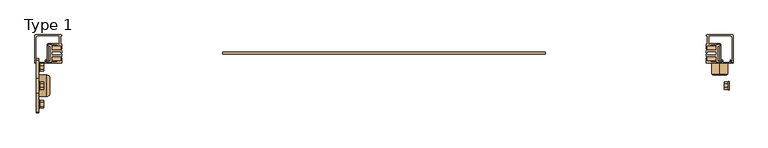
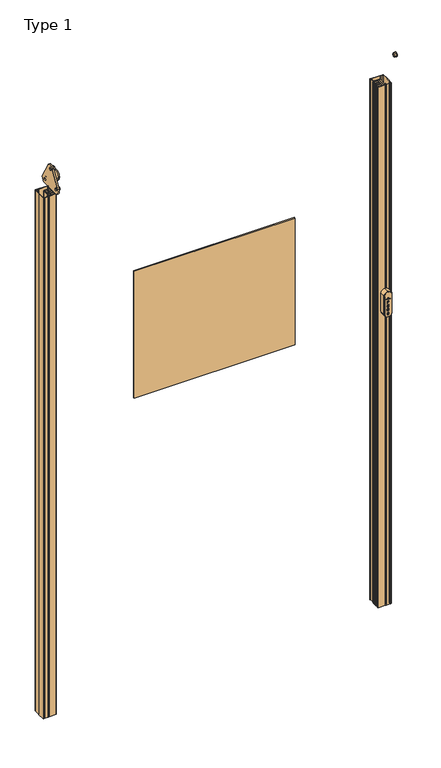
"""IFC4 building model written with IfcOpenShell, lengths in millimetres: door geometry, Type 1."""

from ifc_helpers import new_model, si_unit, point, frame, frame_2d, origin, origin_with_axes, place, context, project, spatial, polyline, circle_curve, ellipse_curve, trimmed, segment, composite_curve, outline, extrude, faceted_brep, source, transform, mapped, element, save
from ifc_brep_helpers import plane_surface, cylinder_surface, revolved_surface, advanced_brep


def type_1_4c6b9645(model_context):
    return source(origin(), model_context, "Body", "SolidModel", [
        extrude(outline(polyline([(-3.3878974, 0.0), (0.0, 0.0), (0.0, 3.3538824), (1.8674254, 3.3538824), (1.8674254, -5.6464956), (0.0, -5.6464956), (0.0, -1.6565321), (-3.3878974, -1.6565321), (-3.3878974, -5.6464956), (-5.2519213, -5.6464956), (-5.2519213, 3.3538824), (-3.3878974, 3.3538824), (-3.3878974, 0.0)])), frame((622.4844847, -112.5, 1165.1344009), z_axis=(4.659192504219422e-12, 1.0, 0.0), x_axis=(-1.0, 4.659192504219422e-12, 0.0)), (0.0, 0.0, 1.0), 2.0),
        extrude(outline(composite_curve([segment(polyline([(1.8674254, 33.5542324), (1.8674254, 27.7877778)]), True, "CONTINUOUS"), segment(trimmed(circle_curve(frame_2d((-1.6563342, 27.7877778)), 3.5237596), [point((1.8674254, 27.7877778))], [point((-5.1800938, 27.7877778))], False, "CARTESIAN"), True, "CONTINUOUS"), segment(polyline([(-5.1800938, 27.7877778), (-5.1800938, 33.5542324), (-3.3699661, 33.5542324), (-3.3699661, 27.751176)]), True, "CONTINUOUS"), segment(trimmed(circle_curve(frame_2d((-1.6663165, 27.751176)), 1.7036496), [point((-3.3699661, 27.751176))], [point((0.037333, 27.751176))], True, "CARTESIAN"), True, "CONTINUOUS"), segment(polyline([(0.037333, 27.751176), (0.037333, 33.5542324), (1.8674254, 33.5542324)]), True, "CONTINUOUS")], self_intersect=False)), frame((622.4844847, -112.5, 1165.1344009), z_axis=(4.659192504219422e-12, 1.0, 0.0), x_axis=(-1.0, 4.659192504219422e-12, 0.0)), (0.0, 0.0, 1.0), 2.0),
        extrude(outline(composite_curve([segment(trimmed(circle_curve(frame_2d((-0.6010115, 16.0817339)), 2.3587315), [point((-0.0509375, 18.375428))], [point((1.7576251, 16.0605735))], False, "CARTESIAN"), True, "CONTINUOUS"), segment(trimmed(circle_curve(frame_2d((-0.3079854, 15.7991431)), 2.0820885), [point((1.7576251, 16.0605735))], [point((0.2933454, 13.8057806))], False, "CARTESIAN"), True, "CONTINUOUS"), segment(polyline([(0.2933454, 13.8057806), (-2.8118226, 12.9737534)]), True, "CONTINUOUS"), segment(trimmed(circle_curve(frame_2d((-2.4180978, 12.0969668)), 0.9611316), [point((-2.8118226, 12.9737534))], [point((-2.5125281, 11.1404853))], True, "CARTESIAN"), True, "CONTINUOUS"), segment(trimmed(circle_curve(frame_2d((-1.7234335, 14.5136786)), 3.4642608), [point((-2.5125281, 11.1404853))], [point((-1.0058389, 11.1245546))], True, "CARTESIAN"), True, "CONTINUOUS"), segment(trimmed(circle_curve(frame_2d((-1.3005785, 12.5165786)), 1.4228851), [point((-1.0058389, 11.1245546))], [point((0.1193205, 12.4244425))], True, "CARTESIAN"), True, "CONTINUOUS"), segment(polyline([(0.1193205, 12.4244425), (1.8674254, 12.4244425)]), True, "CONTINUOUS"), segment(trimmed(circle_curve(frame_2d((-0.5451999, 12.2070209)), 2.4224023), [point((1.8674254, 12.4244425))], [point((0.4410381, 9.9944732))], False, "CARTESIAN"), True, "CONTINUOUS"), segment(trimmed(circle_curve(frame_2d((-1.7208444, 14.844487)), 5.3100255), [point((0.4410381, 9.9944732))], [point((-3.007687, 9.6927488))], False, "CARTESIAN"), True, "CONTINUOUS"), segment(trimmed(circle_curve(frame_2d((-2.4437694, 12.2682183)), 2.6364836), [point((-3.007687, 9.6927488))], [point((-5.0702204, 12.0384336))], False, "CARTESIAN"), True, "CONTINUOUS"), segment(trimmed(circle_curve(frame_2d((-2.6442654, 12.2506772)), 2.4352218), [point((-5.0702204, 12.0384336))], [point((-3.2745471, 14.6029208))], False, "CARTESIAN"), True, "CONTINUOUS"), segment(polyline([(-3.2745471, 14.6029208), (-1.8186854, 14.9930177)]), True, "CONTINUOUS"), segment(trimmed(circle_curve(frame_2d((-3.0982633, 21.390208)), 6.523907), [point((-1.8186854, 14.9930177))], [point((-0.3015503, 15.4961636))], True, "CARTESIAN"), True, "CONTINUOUS"), segment(trimmed(circle_curve(frame_2d((-0.7891329, 16.166371)), 0.8288032), [point((-0.3015503, 15.4961636))], [point((-0.3015503, 16.8365784))], True, "CARTESIAN"), True, "CONTINUOUS"), segment(trimmed(circle_curve(frame_2d((-1.4263385, 14.831388)), 2.2991165), [point((-0.3015503, 16.8365784))], [point((-1.7196185, 17.1117222))], True, "CARTESIAN"), True, "CONTINUOUS"), segment(trimmed(circle_curve(frame_2d((-1.7497909, 15.7390702)), 1.3729835), [point((-1.7196185, 17.1117222))], [point((-3.1197599, 15.8300027))], True, "CARTESIAN"), True, "CONTINUOUS"), segment(polyline([(-3.1197599, 15.8300027), (-4.8206944, 15.8235353)]), True, "CONTINUOUS"), segment(trimmed(circle_curve(frame_2d((-2.1817626, 15.886102)), 2.6396734), [point((-4.8206944, 15.8235353))], [point((-2.5155153, 18.5045911))], False, "CARTESIAN"), True, "CONTINUOUS"), segment(trimmed(circle_curve(frame_2d((-1.6398779, 11.6346928)), 6.9254778), [point((-2.5155153, 18.5045911))], [point((-0.0509375, 18.375428))], False, "CARTESIAN"), True, "CONTINUOUS")], self_intersect=False)), frame((622.4844847, -112.5, 1165.1344009), z_axis=(4.659192504219422e-12, 1.0, 0.0), x_axis=(-1.0, 4.659192504219422e-12, 0.0)), (0.0, 0.0, 1.0), 2.0),
        extrude(outline(composite_curve([segment(polyline([(0.0102045, 39.5301216), (0.0102045, 42.7309363), (-1.972872, 42.7309363)]), True, "CONTINUOUS"), segment(trimmed(circle_curve(frame_2d((-1.972872, 45.6307179)), 2.8997817), [point((-1.972872, 42.7309363))], [point((-1.972872, 48.5304996))], False, "CARTESIAN"), True, "CONTINUOUS"), segment(polyline([(-1.972872, 48.5304996), (0.0102045, 48.5304996), (1.8674254, 48.5304996), (1.8674254, 39.5301216), (0.0102045, 39.5301216)]), True, "CONTINUOUS")], self_intersect=False), holes=[composite_curve([segment(polyline([(0.0102045, 44.3466504), (0.0102045, 46.965808), (-1.6973502, 46.965808)]), True, "CONTINUOUS"), segment(trimmed(circle_curve(frame_2d((-1.6973502, 45.6562292)), 1.3095788), [point((-1.6973502, 46.965808))], [point((-1.6973502, 44.3466504))], True, "CARTESIAN"), True, "CONTINUOUS"), segment(polyline([(-1.6973502, 44.3466504), (0.0102045, 44.3466504)]), True, "CONTINUOUS")], self_intersect=False)]), frame((622.4844847, -112.5, 1165.1344009), z_axis=(4.659192504219422e-12, 1.0, 0.0), x_axis=(-1.0, 4.659192504219422e-12, 0.0)), (0.0, 0.0, 1.0), 2.0),
        extrude(outline(polyline([(632.0, -112.5), (618.0, -112.5), (618.0, -110.5), (632.0, -110.5), (632.0, -112.5)])), frame((0.0, 0.0, 1220.0166537), z_axis=(0.0, 0.0, 1.0), x_axis=(1.0, 0.0, 0.0)), (0.0, 0.0, 1.0), 1.5),
        extrude(outline(polyline([(626.5, -112.5), (623.5, -112.5), (623.5, -110.5), (626.5, -110.5), (626.5, -112.5)])), frame((0.0, 0.0, 1222.7486881), z_axis=(0.0, 0.0, 1.0), x_axis=(1.0, 0.0, 0.0)), (0.0, 0.0, 1.0), 3.0),
        extrude(outline(composite_curve([segment(trimmed(circle_curve(frame_2d((0.0, -13.0)), 13.0), [point((-13.0, -13.0))], [point((0.0, 0.0))], False, "CARTESIAN"), True, "CONTINUOUS"), segment(polyline([(0.0, 0.0), (70.0, 0.0)]), True, "CONTINUOUS"), segment(trimmed(circle_curve(frame_2d((70.0, -13.0)), 13.0), [point((70.0, 0.0))], [point((83.0, -13.0))], False, "CARTESIAN"), True, "CONTINUOUS"), segment(trimmed(circle_curve(frame_2d((70.0, -13.0)), 13.0), [point((83.0, -13.0))], [point((70.0, -26.0))], False, "CARTESIAN"), True, "CONTINUOUS"), segment(polyline([(70.0, -26.0), (0.0, -26.0)]), True, "CONTINUOUS"), segment(trimmed(circle_curve(frame_2d((0.0, -13.0)), 13.0), [point((0.0, -26.0))], [point((-13.0, -13.0))], False, "CARTESIAN"), True, "CONTINUOUS")], self_intersect=False), holes=[composite_curve([segment(polyline([(27.1346628, -12.4573567), (27.1346628, -10.4742802), (30.3354775, -10.4742802), (30.3354775, -8.6170593), (21.3350995, -8.6170593), (21.3350995, -10.4742802), (21.3350995, -12.4573567)]), True, "CONTINUOUS"), segment(trimmed(circle_curve(frame_2d((24.2348812, -12.4573567)), 2.8997817), [point((21.3350995, -12.4573567))], [point((27.1346628, -12.4573567))], True, "CARTESIAN"), True, "CONTINUOUS")], self_intersect=False), composite_curve([segment(polyline([(36.3113667, -8.6170593), (36.3113667, -10.4471517), (42.1144231, -10.4471517)]), True, "CONTINUOUS"), segment(trimmed(circle_curve(frame_2d((42.1144231, -12.1508012)), 1.7036496), [point((42.1144231, -10.4471517))], [point((42.1144231, -13.8544508))], False, "CARTESIAN"), True, "CONTINUOUS"), segment(polyline([(42.1144231, -13.8544508), (36.3113667, -13.8544508), (36.3113667, -15.6645785), (42.0778213, -15.6645785)]), True, "CONTINUOUS"), segment(trimmed(circle_curve(frame_2d((42.0778213, -12.1408189)), 3.5237596), [point((42.0778213, -15.6645785))], [point((42.0778213, -8.6170593))], True, "CARTESIAN"), True, "CONTINUOUS"), segment(polyline([(42.0778213, -8.6170593), (36.3113667, -8.6170593)]), True, "CONTINUOUS")], self_intersect=False), polyline([(75.5120947, -8.6170593), (66.5117167, -8.6170593), (66.5117167, -10.4844847), (69.8655991, -10.4844847), (69.8655991, -13.8723821), (66.5117167, -13.8723821), (66.5117167, -15.736406), (75.5120947, -15.736406), (75.5120947, -13.8723821), (71.5221312, -13.8723821), (71.5221312, -10.4844847), (75.5120947, -10.4844847), (75.5120947, -8.6170593)]), composite_curve([segment(trimmed(circle_curve(frame_2d((54.1265289, -12.2342756)), 1.3729835), [point((54.0355964, -13.6042446))], [point((52.7538769, -12.2041032))], False, "CARTESIAN"), True, "CONTINUOUS"), segment(trimmed(circle_curve(frame_2d((55.0342111, -11.9108232)), 2.2991165), [point((52.7538769, -12.2041032))], [point((53.0290207, -10.786035))], False, "CARTESIAN"), True, "CONTINUOUS"), segment(trimmed(circle_curve(frame_2d((53.6992281, -11.2736176)), 0.8288032), [point((53.0290207, -10.786035))], [point((54.3694355, -10.786035))], False, "CARTESIAN"), True, "CONTINUOUS"), segment(trimmed(circle_curve(frame_2d((48.4753911, -13.582748)), 6.523907), [point((54.3694355, -10.786035))], [point((54.8725814, -12.3031701))], False, "CARTESIAN"), True, "CONTINUOUS"), segment(polyline([(54.8725814, -12.3031701), (55.2626783, -13.7590318)]), True, "CONTINUOUS"), segment(trimmed(circle_curve(frame_2d((57.6149219, -13.1287501)), 2.4352218), [point((55.2626783, -13.7590318))], [point((57.8271655, -15.5547051))], True, "CARTESIAN"), True, "CONTINUOUS"), segment(trimmed(circle_curve(frame_2d((57.5973808, -12.9282541)), 2.6364836), [point((57.8271655, -15.5547051))], [point((60.1728503, -13.4921717))], True, "CARTESIAN"), True, "CONTINUOUS"), segment(trimmed(circle_curve(frame_2d((55.0211121, -12.2053291)), 5.3100255), [point((60.1728503, -13.4921717))], [point((59.8711259, -10.0434466))], True, "CARTESIAN"), True, "CONTINUOUS"), segment(trimmed(circle_curve(frame_2d((57.6585782, -11.0296846)), 2.4224023), [point((59.8711259, -10.0434466))], [point((57.4411566, -8.6170593))], True, "CARTESIAN"), True, "CONTINUOUS"), segment(polyline([(57.4411566, -8.6170593), (57.4411566, -10.3651642)]), True, "CONTINUOUS"), segment(trimmed(circle_curve(frame_2d((57.3490205, -11.7850632)), 1.4228851), [point((57.4411566, -10.3651642))], [point((58.7410445, -11.4903236))], False, "CARTESIAN"), True, "CONTINUOUS"), segment(trimmed(circle_curve(frame_2d((55.3519205, -12.2079182)), 3.4642608), [point((58.7410445, -11.4903236))], [point((58.7251138, -12.9970128))], False, "CARTESIAN"), True, "CONTINUOUS"), segment(trimmed(circle_curve(frame_2d((57.7686323, -12.9025825)), 0.9611316), [point((58.7251138, -12.9970128))], [point((56.8918457, -13.2963073))], False, "CARTESIAN"), True, "CONTINUOUS"), segment(polyline([(56.8918457, -13.2963073), (56.0598185, -10.1911393)]), True, "CONTINUOUS"), segment(trimmed(circle_curve(frame_2d((54.066456, -10.7924701)), 2.0820885), [point((56.0598185, -10.1911393))], [point((53.8050256, -8.7268596))], True, "CARTESIAN"), True, "CONTINUOUS"), segment(trimmed(circle_curve(frame_2d((53.7838652, -11.0854962)), 2.3587315), [point((53.8050256, -8.7268596))], [point((51.4901711, -10.5354222))], True, "CARTESIAN"), True, "CONTINUOUS"), segment(trimmed(circle_curve(frame_2d((58.2309063, -12.1243626)), 6.9254778), [point((51.4901711, -10.5354222))], [point((51.361008, -13.0))], True, "CARTESIAN"), True, "CONTINUOUS"), segment(trimmed(circle_curve(frame_2d((53.9794971, -12.6662473)), 2.6396734), [point((51.361008, -13.0))], [point((54.0420638, -15.3051791))], True, "CARTESIAN"), True, "CONTINUOUS"), segment(polyline([(54.0420638, -15.3051791), (54.0355964, -13.6042446)]), True, "CONTINUOUS")], self_intersect=False), polyline([(14.9833463, -20.0), (14.9833463, -6.0), (13.4833463, -6.0), (13.4833463, -20.0), (14.9833463, -20.0)]), polyline([(9.2513119, -14.5), (12.2513119, -14.5), (12.2513119, -11.5), (9.2513119, -11.5), (9.2513119, -14.5)])]), frame((612.0, -112.5, 1235.0), z_axis=(4.659192504219422e-12, 1.0, 0.0), x_axis=(0.0, 0.0, -1.0)), (0.0, 0.0, 1.0), 2.0),
        extrude(outline(composite_curve([segment(polyline([(22.8997911, -10.4742802), (25.5189487, -10.4742802), (25.5189487, -12.1818349)]), True, "CONTINUOUS"), segment(trimmed(circle_curve(frame_2d((24.2093699, -12.1818349)), 1.3095788), [point((25.5189487, -12.1818349))], [point((22.8997911, -12.1818349))], False, "CARTESIAN"), True, "CONTINUOUS"), segment(polyline([(22.8997911, -12.1818349), (22.8997911, -10.4742802)]), True, "CONTINUOUS")], self_intersect=False)), frame((612.0, -112.5, 1235.0), z_axis=(4.659192504219422e-12, 1.0, 0.0), x_axis=(0.0, 0.0, -1.0)), (0.0, 0.0, 1.0), 2.0),
        extrude(outline(composite_curve([segment(polyline([(-140.1281436, 0.0), (-70.1281436, 0.0)]), True, "CONTINUOUS"), segment(trimmed(circle_curve(frame_2d((-70.1281436, -15.0)), 15.0), [point((-70.1281436, 0.0))], [point((-55.1281436, -15.0))], False, "CARTESIAN"), True, "CONTINUOUS"), segment(trimmed(circle_curve(frame_2d((-70.1281436, -15.0)), 15.0), [point((-55.1281436, -15.0))], [point((-70.1281436, -30.0))], False, "CARTESIAN"), True, "CONTINUOUS"), segment(polyline([(-70.1281436, -30.0), (-140.1281436, -30.0)]), True, "CONTINUOUS"), segment(trimmed(circle_curve(frame_2d((-140.1281436, -15.0)), 15.0), [point((-140.1281436, -30.0))], [point((-155.1281436, -15.0))], False, "CARTESIAN"), True, "CONTINUOUS"), segment(trimmed(circle_curve(frame_2d((-140.1281436, -15.0)), 15.0), [point((-155.1281436, -15.0))], [point((-140.1281436, 0.0))], False, "CARTESIAN"), True, "CONTINUOUS")], self_intersect=False)), frame((610.0, -110.5, 1094.8718564), z_axis=(4.662538931178961e-12, 1.0, 0.0), x_axis=(0.0, 0.0, -1.0)), (0.0, 0.0, 1.0), 20.0),
        extrude(outline(polyline([(300.0, -73.3), (-300.0, -73.3), (-300.0, -69.3), (300.0, -69.3), (300.0, -73.3)])), frame((0.0, 0.0, 1130.0), z_axis=(0.0, 0.0, 1.0), x_axis=(1.0, 0.0, 0.0)), (0.0, 0.0, 1.0), 500.0),
        extrude(outline(composite_curve([segment(polyline([(-621.0, -86.25), (-621.0, -58.25), (-625.0, -58.25), (-625.0, -56.25), (-618.5, -56.25), (-618.5, -66.0), (-601.6, -66.0)]), True, "CONTINUOUS"), segment(trimmed(circle_curve(frame_2d((-601.6, -67.5)), 1.5), [point((-601.6, -66.0))], [point((-600.1, -67.5))], False, "CARTESIAN"), True, "CONTINUOUS"), segment(polyline([(-600.1, -67.5), (-600.1, -71.25), (-601.35, -71.25), (-602.6490381, -69.0), (-618.5, -69.0), (-618.5, -75.5), (-602.6490381, -75.5), (-601.35, -73.25), (-600.1, -73.25), (-600.1, -77.0)]), True, "CONTINUOUS"), segment(trimmed(circle_curve(frame_2d((-601.6, -77.0)), 1.5), [point((-600.1, -77.0))], [point((-601.6, -78.5))], False, "CARTESIAN"), True, "CONTINUOUS"), segment(polyline([(-601.6, -78.5), (-618.5, -78.5), (-618.5, -88.25), (-625.0, -88.25), (-625.0, -86.25), (-621.0, -86.25)]), True, "CONTINUOUS")], self_intersect=False)), origin_with_axes(), (0.0, 0.0, 1.0), 2051.0),
        extrude(outline(polyline([(-618.5, -85.95), (-618.5, -78.5), (-602.0, -78.5), (-602.0, -85.95), (-618.5, -85.95)])), origin_with_axes(), (0.0, 0.0, 1.0), 2051.0),
        extrude(outline(polyline([(-618.5, -58.55), (-602.0, -58.55), (-602.0, -66.0), (-618.5, -66.0), (-618.5, -58.55)])), origin_with_axes(), (0.0, 0.0, 1.0), 2051.0),
        extrude(outline(composite_curve([segment(trimmed(circle_curve(frame_2d((-630.5, -90.5)), 0.3), [point((-630.2, -90.5))], [point((-630.8, -90.5))], True, "CARTESIAN"), True, "CONTINUOUS"), segment(polyline([(-630.8, -90.5), (-644.2, -90.5)]), True, "CONTINUOUS"), segment(trimmed(circle_curve(frame_2d((-644.5, -90.5)), 0.3), [point((-644.2, -90.5))], [point((-644.8, -90.5))], True, "CARTESIAN"), True, "CONTINUOUS"), segment(polyline([(-644.8, -90.5), (-647.4266907, -90.5)]), True, "CONTINUOUS"), segment(trimmed(circle_curve(frame_2d((-647.4266907, -89.9266907)), 0.5733093), [point((-647.4266907, -90.5))], [point((-648.0, -89.9266907))], False, "CARTESIAN"), True, "CONTINUOUS"), segment(polyline([(-648.0, -89.9266907), (-648.0, -89.0), (-645.0, -89.0), (-645.25, -85.4)]), True, "CONTINUOUS"), segment(trimmed(circle_curve(frame_2d((-645.25, -84.9)), 0.5), [point((-645.25, -85.4))], [point((-645.25, -84.4))], False, "CARTESIAN"), True, "CONTINUOUS"), segment(polyline([(-645.25, -84.4), (-644.3170361, -84.4), (-643.9628694, -89.5), (-631.0371306, -89.5), (-630.6829639, -84.4), (-629.75, -84.4)]), True, "CONTINUOUS"), segment(trimmed(circle_curve(frame_2d((-629.75, -84.9)), 0.5), [point((-629.75, -84.4))], [point((-629.75, -85.4))], False, "CARTESIAN"), True, "CONTINUOUS"), segment(polyline([(-629.75, -85.4), (-630.0, -89.0), (-627.0, -89.0), (-627.0, -89.9275699)]), True, "CONTINUOUS"), segment(trimmed(circle_curve(frame_2d((-627.5724301, -89.9275699)), 0.5724301), [point((-627.0, -89.9275699))], [point((-627.5724301, -90.5))], False, "CARTESIAN"), True, "CONTINUOUS"), segment(polyline([(-627.5724301, -90.5), (-630.2, -90.5)]), True, "CONTINUOUS")], self_intersect=False)), origin_with_axes(), (0.0, 0.0, 1.0), 2051.0),
        extrude(outline(composite_curve([segment(trimmed(circle_curve(frame_2d((-626.3718172, -89.8718172)), 0.6281828), [point((-626.3718172, -90.5))], [point((-627.0, -89.8718172))], False, "CARTESIAN"), True, "CONTINUOUS"), segment(polyline([(-627.0, -89.8718172), (-627.0, -89.0), (-629.0, -89.0)]), True, "CONTINUOUS"), segment(trimmed(circle_curve(frame_2d((-629.0, -88.0)), 1.0), [point((-629.0, -89.0))], [point((-630.0, -88.0))], False, "CARTESIAN"), True, "CONTINUOUS"), segment(polyline([(-630.0, -88.0), (-630.0, -85.5), (-629.0, -85.5), (-629.0, -87.5), (-627.0, -87.5), (-627.0, -56.3)]), True, "CONTINUOUS"), segment(trimmed(circle_curve(frame_2d((-624.7, -56.3)), 2.3), [point((-627.0, -56.3))], [point((-624.7, -54.0))], False, "CARTESIAN"), True, "CONTINUOUS"), segment(polyline([(-624.7, -54.0), (-608.5, -54.0)]), True, "CONTINUOUS"), segment(trimmed(circle_curve(frame_2d((-608.5, -56.0)), 2.0), [point((-608.5, -54.0))], [point((-606.5156865, -56.25))], False, "CARTESIAN"), True, "CONTINUOUS"), segment(polyline([(-606.5156865, -56.25), (-604.5, -56.25), (-604.5, -39.5), (-637.25, -39.5)]), True, "CONTINUOUS"), segment(trimmed(circle_curve(frame_2d((-637.55, -39.5)), 0.3), [point((-637.25, -39.5))], [point((-637.85, -39.5))], True, "CARTESIAN"), True, "CONTINUOUS"), segment(polyline([(-637.85, -39.5), (-645.0, -39.5)]), True, "CONTINUOUS"), segment(trimmed(circle_curve(frame_2d((-645.0, -42.5)), 3.0), [point((-645.0, -39.5))], [point((-648.0, -42.5))], True, "CARTESIAN"), True, "CONTINUOUS"), segment(polyline([(-648.0, -42.5), (-648.0, -87.5), (-646.0, -87.5), (-646.0, -85.5), (-645.0, -85.5), (-645.0, -88.0)]), True, "CONTINUOUS"), segment(trimmed(circle_curve(frame_2d((-646.0, -88.0)), 1.0), [point((-645.0, -88.0))], [point((-646.0, -89.0))], False, "CARTESIAN"), True, "CONTINUOUS"), segment(polyline([(-646.0, -89.0), (-648.0, -89.0), (-648.0, -89.9084223)]), True, "CONTINUOUS"), segment(trimmed(circle_curve(frame_2d((-648.5915777, -89.9084223)), 0.5915777), [point((-648.0, -89.9084223))], [point((-648.5915777, -90.5))], False, "CARTESIAN"), True, "CONTINUOUS"), segment(polyline([(-648.5915777, -90.5), (-649.4241946, -90.5)]), True, "CONTINUOUS"), segment(trimmed(circle_curve(frame_2d((-649.4241946, -89.9241946)), 0.5758054), [point((-649.4241946, -90.5))], [point((-650.0, -89.9241946))], False, "CARTESIAN"), True, "CONTINUOUS"), segment(polyline([(-650.0, -89.9241946), (-650.0, -62.75)]), True, "CONTINUOUS"), segment(trimmed(circle_curve(frame_2d((-650.0, -62.45)), 0.3), [point((-650.0, -62.75))], [point((-650.0, -62.15))], True, "CARTESIAN"), True, "CONTINUOUS"), segment(polyline([(-650.0, -62.15), (-650.0, -38.5)]), True, "CONTINUOUS"), segment(trimmed(circle_curve(frame_2d((-649.0, -38.5)), 1.0), [point((-650.0, -38.5))], [point((-649.0, -37.5))], False, "CARTESIAN"), True, "CONTINUOUS"), segment(polyline([(-649.0, -37.5), (-637.85, -37.5)]), True, "CONTINUOUS"), segment(trimmed(circle_curve(frame_2d((-637.55, -37.5)), 0.3), [point((-637.85, -37.5))], [point((-637.25, -37.5))], True, "CARTESIAN"), True, "CONTINUOUS"), segment(polyline([(-637.25, -37.5), (-601.0, -37.5)]), True, "CONTINUOUS"), segment(trimmed(circle_curve(frame_2d((-601.0, -38.5)), 1.0), [point((-601.0, -37.5))], [point((-600.0098717, -38.3598361))], False, "CARTESIAN"), True, "CONTINUOUS"), segment(trimmed(circle_curve(frame_2d((-600.5657956, -38.4385334)), 0.5614666), [point((-600.0098717, -38.3598361))], [point((-600.5657956, -39.0))], False, "CARTESIAN"), True, "CONTINUOUS"), segment(polyline([(-600.5657956, -39.0), (-602.0, -39.0), (-602.0, -55.0), (-600.0, -55.0), (-600.0, -63.0)]), True, "CONTINUOUS"), segment(trimmed(circle_curve(frame_2d((-601.0, -63.0)), 1.0), [point((-600.0, -63.0))], [point((-601.0, -64.0))], False, "CARTESIAN"), True, "CONTINUOUS"), segment(polyline([(-601.0, -64.0), (-602.0, -64.0), (-602.0, -58.25), (-608.5, -58.25), (-608.5, -56.0), (-625.0, -56.0), (-625.0, -88.5), (-608.5, -88.5), (-608.5, -86.25), (-602.0, -86.25), (-602.0, -80.5), (-601.0, -80.5)]), True, "CONTINUOUS"), segment(trimmed(circle_curve(frame_2d((-601.0, -81.5)), 1.0), [point((-601.0, -80.5))], [point((-600.0, -81.5))], False, "CARTESIAN"), True, "CONTINUOUS"), segment(polyline([(-600.0, -81.5), (-600.0, -89.5)]), True, "CONTINUOUS"), segment(trimmed(circle_curve(frame_2d((-601.0, -89.5)), 1.0), [point((-600.0, -89.5))], [point((-601.0, -90.5))], False, "CARTESIAN"), True, "CONTINUOUS"), segment(polyline([(-601.0, -90.5), (-626.3718172, -90.5)]), True, "CONTINUOUS")], self_intersect=False)), origin_with_axes(), (0.0, 0.0, 1.0), 2051.0),
        extrude(outline(composite_curve([segment(polyline([(621.0, -86.25), (625.0, -86.25), (625.0, -88.25), (618.5, -88.25), (618.5, -78.5), (601.6, -78.5)]), True, "CONTINUOUS"), segment(trimmed(circle_curve(frame_2d((601.6, -77.0)), 1.5), [point((601.6, -78.5))], [point((600.1, -77.0))], False, "CARTESIAN"), True, "CONTINUOUS"), segment(polyline([(600.1, -77.0), (600.1, -73.25), (601.35, -73.25), (602.6490381, -75.5), (618.5, -75.5), (618.5, -69.0), (602.6490381, -69.0), (601.35, -71.25), (600.1, -71.25), (600.1, -67.5)]), True, "CONTINUOUS"), segment(trimmed(circle_curve(frame_2d((601.6, -67.5)), 1.5), [point((600.1, -67.5))], [point((601.6, -66.0))], False, "CARTESIAN"), True, "CONTINUOUS"), segment(polyline([(601.6, -66.0), (618.5, -66.0), (618.5, -56.25), (625.0, -56.25), (625.0, -58.25), (621.0, -58.25), (621.0, -86.25)]), True, "CONTINUOUS")], self_intersect=False)), origin_with_axes(), (0.0, 0.0, 1.0), 2051.0),
        extrude(outline(polyline([(618.5, -85.95), (602.0, -85.95), (602.0, -78.5), (618.5, -78.5), (618.5, -85.95)])), origin_with_axes(), (0.0, 0.0, 1.0), 2051.0),
        extrude(outline(polyline([(618.5, -58.55), (618.5, -66.0), (602.0, -66.0), (602.0, -58.55), (618.5, -58.55)])), origin_with_axes(), (0.0, 0.0, 1.0), 2051.0),
        extrude(outline(composite_curve([segment(polyline([(630.2, -90.5), (627.5724301, -90.5)]), True, "CONTINUOUS"), segment(trimmed(circle_curve(frame_2d((627.5724301, -89.9275699)), 0.5724301), [point((627.5724301, -90.5))], [point((627.0, -89.9275699))], False, "CARTESIAN"), True, "CONTINUOUS"), segment(polyline([(627.0, -89.9275699), (627.0, -89.0), (630.0, -89.0), (629.75, -85.4)]), True, "CONTINUOUS"), segment(trimmed(circle_curve(frame_2d((629.75, -84.9)), 0.5), [point((629.75, -85.4))], [point((629.75, -84.4))], False, "CARTESIAN"), True, "CONTINUOUS"), segment(polyline([(629.75, -84.4), (630.6829639, -84.4), (631.0371306, -89.5), (643.9628694, -89.5), (644.3170361, -84.4), (645.25, -84.4)]), True, "CONTINUOUS"), segment(trimmed(circle_curve(frame_2d((645.25, -84.9)), 0.5), [point((645.25, -84.4))], [point((645.25, -85.4))], False, "CARTESIAN"), True, "CONTINUOUS"), segment(polyline([(645.25, -85.4), (645.0, -89.0), (648.0, -89.0), (648.0, -89.9266907)]), True, "CONTINUOUS"), segment(trimmed(circle_curve(frame_2d((647.4266907, -89.9266907)), 0.5733093), [point((648.0, -89.9266907))], [point((647.4266907, -90.5))], False, "CARTESIAN"), True, "CONTINUOUS"), segment(polyline([(647.4266907, -90.5), (644.8, -90.5)]), True, "CONTINUOUS"), segment(trimmed(circle_curve(frame_2d((644.5, -90.5)), 0.3), [point((644.8, -90.5))], [point((644.2, -90.5))], True, "CARTESIAN"), True, "CONTINUOUS"), segment(polyline([(644.2, -90.5), (630.8, -90.5)]), True, "CONTINUOUS"), segment(trimmed(circle_curve(frame_2d((630.5, -90.5)), 0.3), [point((630.8, -90.5))], [point((630.2, -90.5))], True, "CARTESIAN"), True, "CONTINUOUS")], self_intersect=False)), origin_with_axes(), (0.0, 0.0, 1.0), 2051.0),
        extrude(outline(composite_curve([segment(polyline([(626.3718172, -90.5), (601.0, -90.5)]), True, "CONTINUOUS"), segment(trimmed(circle_curve(frame_2d((601.0, -89.5)), 1.0), [point((601.0, -90.5))], [point((600.0, -89.5))], False, "CARTESIAN"), True, "CONTINUOUS"), segment(polyline([(600.0, -89.5), (600.0, -81.5)]), True, "CONTINUOUS"), segment(trimmed(circle_curve(frame_2d((601.0, -81.5)), 1.0), [point((600.0, -81.5))], [point((601.0, -80.5))], False, "CARTESIAN"), True, "CONTINUOUS"), segment(polyline([(601.0, -80.5), (602.0, -80.5), (602.0, -86.25), (608.5, -86.25), (608.5, -88.5), (625.0, -88.5), (625.0, -56.0), (608.5, -56.0), (608.5, -58.25), (602.0, -58.25), (602.0, -64.0), (601.0, -64.0)]), True, "CONTINUOUS"), segment(trimmed(circle_curve(frame_2d((601.0, -63.0)), 1.0), [point((601.0, -64.0))], [point((600.0, -63.0))], False, "CARTESIAN"), True, "CONTINUOUS"), segment(polyline([(600.0, -63.0), (600.0, -55.0), (602.0, -55.0), (602.0, -39.0), (600.5657956, -39.0)]), True, "CONTINUOUS"), segment(trimmed(circle_curve(frame_2d((600.5657956, -38.4385334)), 0.5614666), [point((600.5657956, -39.0))], [point((600.0098717, -38.3598361))], False, "CARTESIAN"), True, "CONTINUOUS"), segment(trimmed(circle_curve(frame_2d((601.0, -38.5)), 1.0), [point((600.0098717, -38.3598361))], [point((601.0, -37.5))], False, "CARTESIAN"), True, "CONTINUOUS"), segment(polyline([(601.0, -37.5), (637.25, -37.5)]), True, "CONTINUOUS"), segment(trimmed(circle_curve(frame_2d((637.55, -37.5)), 0.3), [point((637.25, -37.5))], [point((637.85, -37.5))], True, "CARTESIAN"), True, "CONTINUOUS"), segment(polyline([(637.85, -37.5), (649.0, -37.5)]), True, "CONTINUOUS"), segment(trimmed(circle_curve(frame_2d((649.0, -38.5)), 1.0), [point((649.0, -37.5))], [point((650.0, -38.5))], False, "CARTESIAN"), True, "CONTINUOUS"), segment(polyline([(650.0, -38.5), (650.0, -62.15)]), True, "CONTINUOUS"), segment(trimmed(circle_curve(frame_2d((650.0, -62.45)), 0.3), [point((650.0, -62.15))], [point((650.0, -62.75))], True, "CARTESIAN"), True, "CONTINUOUS"), segment(polyline([(650.0, -62.75), (650.0, -89.9241946)]), True, "CONTINUOUS"), segment(trimmed(circle_curve(frame_2d((649.4241946, -89.9241946)), 0.5758054), [point((650.0, -89.9241946))], [point((649.4241946, -90.5))], False, "CARTESIAN"), True, "CONTINUOUS"), segment(polyline([(649.4241946, -90.5), (648.5915777, -90.5)]), True, "CONTINUOUS"), segment(trimmed(circle_curve(frame_2d((648.5915777, -89.9084223)), 0.5915777), [point((648.5915777, -90.5))], [point((648.0, -89.9084223))], False, "CARTESIAN"), True, "CONTINUOUS"), segment(polyline([(648.0, -89.9084223), (648.0, -89.0), (646.0, -89.0)]), True, "CONTINUOUS"), segment(trimmed(circle_curve(frame_2d((646.0, -88.0)), 1.0), [point((646.0, -89.0))], [point((645.0, -88.0))], False, "CARTESIAN"), True, "CONTINUOUS"), segment(polyline([(645.0, -88.0), (645.0, -85.5), (646.0, -85.5), (646.0, -87.5), (648.0, -87.5), (648.0, -42.5)]), True, "CONTINUOUS"), segment(trimmed(circle_curve(frame_2d((645.0, -42.5)), 3.0), [point((648.0, -42.5))], [point((645.0, -39.5))], True, "CARTESIAN"), True, "CONTINUOUS"), segment(polyline([(645.0, -39.5), (637.85, -39.5)]), True, "CONTINUOUS"), segment(trimmed(circle_curve(frame_2d((637.55, -39.5)), 0.3), [point((637.85, -39.5))], [point((637.25, -39.5))], True, "CARTESIAN"), True, "CONTINUOUS"), segment(polyline([(637.25, -39.5), (604.5, -39.5), (604.5, -56.25), (606.5156865, -56.25)]), True, "CONTINUOUS"), segment(trimmed(circle_curve(frame_2d((608.5, -56.0)), 2.0), [point((606.5156865, -56.25))], [point((608.5, -54.0))], False, "CARTESIAN"), True, "CONTINUOUS"), segment(polyline([(608.5, -54.0), (624.7, -54.0)]), True, "CONTINUOUS"), segment(trimmed(circle_curve(frame_2d((624.7, -56.3)), 2.3), [point((624.7, -54.0))], [point((627.0, -56.3))], False, "CARTESIAN"), True, "CONTINUOUS"), segment(polyline([(627.0, -56.3), (627.0, -87.5), (629.0, -87.5), (629.0, -85.5), (630.0, -85.5), (630.0, -88.0)]), True, "CONTINUOUS"), segment(trimmed(circle_curve(frame_2d((629.0, -88.0)), 1.0), [point((630.0, -88.0))], [point((629.0, -89.0))], False, "CARTESIAN"), True, "CONTINUOUS"), segment(polyline([(629.0, -89.0), (627.0, -89.0), (627.0, -89.8718172)]), True, "CONTINUOUS"), segment(trimmed(circle_curve(frame_2d((626.3718172, -89.8718172)), 0.6281828), [point((627.0, -89.8718172))], [point((626.3718172, -90.5))], False, "CARTESIAN"), True, "CONTINUOUS")], self_intersect=False)), origin_with_axes(), (0.0, 0.0, 1.0), 2051.0),
        faceted_brep([(-633.7, -129.2018734, 2197.2589329), (-633.7, -136.1981266, 2197.2589329), (-633.7, -139.6962531, 2191.2), (-633.7, -136.1981266, 2185.1410671), (-633.7, -129.2018734, 2185.1410671), (-633.7, -125.7037469, 2191.2), (-633.7, -129.7, 2186.0038476), (-633.7, -135.7, 2186.0038476), (-633.7, -138.7, 2191.2), (-633.7, -135.7, 2196.3961524), (-633.7, -129.7, 2196.3961524), (-633.7, -126.7, 2191.2), (-640.7, -129.2018734, 2197.2589329), (-640.7, -125.7037469, 2191.2), (-640.7, -129.2018734, 2185.1410671), (-640.7, -136.1981266, 2185.1410671), (-640.7, -139.6962531, 2191.2), (-640.7, -136.1981266, 2197.2589329), (-634.7, -129.7, 2186.0038476), (-634.7, -126.7, 2191.2), (-634.7, -129.7, 2196.3961524), (-634.7, -135.7, 2196.3961524), (-634.7, -138.7, 2191.2), (-634.7, -135.7, 2186.0038476)], [[[0, 1, 2, 3, 4, 5], [6, 7, 8, 9, 10, 11]], [[12, 13, 14, 15, 16, 17]], [[1, 0, 12, 17]], [[2, 1, 17, 16]], [[3, 2, 16, 15]], [[4, 3, 15, 14]], [[5, 4, 14, 13]], [[0, 5, 13, 12]], [[18, 19, 20, 21, 22, 23]], [[18, 23, 7, 6]], [[23, 22, 8, 7]], [[22, 21, 9, 8]], [[21, 20, 10, 9]], [[20, 19, 11, 10]], [[19, 18, 6, 11]]]),
        extrude(outline(composite_curve([segment(trimmed(circle_curve(frame_2d((-132.7, 2191.2)), 8.0), [point((-140.7, 2191.2))], [point((-124.7, 2191.2))], False, "CARTESIAN"), True, "CONTINUOUS"), segment(trimmed(circle_curve(frame_2d((-132.7, 2191.2)), 8.0), [point((-124.7, 2191.2))], [point((-140.7, 2191.2))], False, "CARTESIAN"), True, "CONTINUOUS")], self_intersect=False), holes=[composite_curve([segment(trimmed(circle_curve(frame_2d((-132.7, 2191.2)), 4.5), [point((-137.2, 2191.2))], [point((-128.2, 2191.2))], True, "CARTESIAN"), True, "CONTINUOUS"), segment(trimmed(circle_curve(frame_2d((-132.7, 2191.2)), 4.5), [point((-128.2, 2191.2))], [point((-137.2, 2191.2))], True, "CARTESIAN"), True, "CONTINUOUS")], self_intersect=False)]), frame((-642.7, 0.0, 0.0), z_axis=(1.0, 0.0, 0.0), x_axis=(0.0, 1.0, 0.0)), (0.0, 0.0, 1.0), 2.0),
        faceted_brep([(-633.7, -94.6018734, 2137.2589329), (-633.7, -101.5981266, 2137.2589329), (-633.7, -105.0962531, 2131.2), (-633.7, -101.5981266, 2125.1410671), (-633.7, -94.6018734, 2125.1410671), (-633.7, -91.1037469, 2131.2), (-633.7, -95.1, 2126.0038476), (-633.7, -101.1, 2126.0038476), (-633.7, -104.1, 2131.2), (-633.7, -101.1, 2136.3961524), (-633.7, -95.1, 2136.3961524), (-633.7, -92.1, 2131.2), (-640.7, -94.6018734, 2137.2589329), (-640.7, -91.1037469, 2131.2), (-640.7, -94.6018734, 2125.1410671), (-640.7, -101.5981266, 2125.1410671), (-640.7, -105.0962531, 2131.2), (-640.7, -101.5981266, 2137.2589329), (-634.7, -95.1, 2126.0038476), (-634.7, -92.1, 2131.2), (-634.7, -95.1, 2136.3961524), (-634.7, -101.1, 2136.3961524), (-634.7, -104.1, 2131.2), (-634.7, -101.1, 2126.0038476)], [[[0, 1, 2, 3, 4, 5], [6, 7, 8, 9, 10, 11]], [[12, 13, 14, 15, 16, 17]], [[1, 0, 12, 17]], [[2, 1, 17, 16]], [[3, 2, 16, 15]], [[4, 3, 15, 14]], [[5, 4, 14, 13]], [[0, 5, 13, 12]], [[18, 19, 20, 21, 22, 23]], [[18, 23, 7, 6]], [[23, 22, 8, 7]], [[22, 21, 9, 8]], [[21, 20, 10, 9]], [[20, 19, 11, 10]], [[19, 18, 6, 11]]]),
        extrude(outline(composite_curve([segment(trimmed(circle_curve(frame_2d((-98.1, 2131.2)), 8.0), [point((-106.1, 2131.2))], [point((-90.1, 2131.2))], False, "CARTESIAN"), True, "CONTINUOUS"), segment(trimmed(circle_curve(frame_2d((-98.1, 2131.2)), 8.0), [point((-90.1, 2131.2))], [point((-106.1, 2131.2))], False, "CARTESIAN"), True, "CONTINUOUS")], self_intersect=False), holes=[composite_curve([segment(trimmed(circle_curve(frame_2d((-98.1, 2131.2)), 4.5), [point((-102.6, 2131.2))], [point((-93.6, 2131.2))], True, "CARTESIAN"), True, "CONTINUOUS"), segment(trimmed(circle_curve(frame_2d((-98.1, 2131.2)), 4.5), [point((-93.6, 2131.2))], [point((-102.6, 2131.2))], True, "CARTESIAN"), True, "CONTINUOUS")], self_intersect=False)]), frame((-642.7, 0.0, 0.0), z_axis=(1.0, 0.0, 0.0), x_axis=(0.0, 1.0, 0.0)), (0.0, 0.0, 1.0), 2.0),
        faceted_brep([(-633.7, -163.8018734, 2137.2589329), (-633.7, -170.7981266, 2137.2589329), (-633.7, -174.2962531, 2131.2), (-633.7, -170.7981266, 2125.1410671), (-633.7, -163.8018734, 2125.1410671), (-633.7, -160.3037469, 2131.2), (-633.7, -164.3, 2126.0038476), (-633.7, -170.3, 2126.0038476), (-633.7, -173.3, 2131.2), (-633.7, -170.3, 2136.3961524), (-633.7, -164.3, 2136.3961524), (-633.7, -161.3, 2131.2), (-640.7, -163.8018734, 2137.2589329), (-640.7, -160.3037469, 2131.2), (-640.7, -163.8018734, 2125.1410671), (-640.7, -170.7981266, 2125.1410671), (-640.7, -174.2962531, 2131.2), (-640.7, -170.7981266, 2137.2589329), (-634.7, -164.3, 2126.0038476), (-634.7, -161.3, 2131.2), (-634.7, -164.3, 2136.3961524), (-634.7, -170.3, 2136.3961524), (-634.7, -173.3, 2131.2), (-634.7, -170.3, 2126.0038476)], [[[0, 1, 2, 3, 4, 5], [6, 7, 8, 9, 10, 11]], [[12, 13, 14, 15, 16, 17]], [[1, 0, 12, 17]], [[2, 1, 17, 16]], [[3, 2, 16, 15]], [[4, 3, 15, 14]], [[5, 4, 14, 13]], [[0, 5, 13, 12]], [[18, 19, 20, 21, 22, 23]], [[18, 23, 7, 6]], [[23, 22, 8, 7]], [[22, 21, 9, 8]], [[21, 20, 10, 9]], [[20, 19, 11, 10]], [[19, 18, 6, 11]]]),
        extrude(outline(composite_curve([segment(trimmed(circle_curve(frame_2d((-167.3, 2131.2)), 8.0), [point((-175.3, 2131.2))], [point((-159.3, 2131.2))], False, "CARTESIAN"), True, "CONTINUOUS"), segment(trimmed(circle_curve(frame_2d((-167.3, 2131.2)), 8.0), [point((-159.3, 2131.2))], [point((-175.3, 2131.2))], False, "CARTESIAN"), True, "CONTINUOUS")], self_intersect=False), holes=[composite_curve([segment(trimmed(circle_curve(frame_2d((-167.3, 2131.2)), 4.5), [point((-171.8, 2131.2))], [point((-162.8, 2131.2))], True, "CARTESIAN"), True, "CONTINUOUS"), segment(trimmed(circle_curve(frame_2d((-167.3, 2131.2)), 4.5), [point((-162.8, 2131.2))], [point((-171.8, 2131.2))], True, "CARTESIAN"), True, "CONTINUOUS")], self_intersect=False)]), frame((-642.7, 0.0, 0.0), z_axis=(1.0, 0.0, 0.0), x_axis=(0.0, 1.0, 0.0)), (0.0, 0.0, 1.0), 2.0),
        advanced_brep(
        [(-622.7, -117.7, 2161.2), (-622.7, -147.7, 2161.2), (-622.7, -132.7, 2161.2), (-627.7, -112.7, 2161.2), (-627.7, -152.7, 2161.2), (-642.7, -112.7, 2161.2), (-642.7, -152.7, 2161.2), (-642.7, -132.7, 2161.2)],
        [
            (0, 1, circle_curve(frame((-622.7, -132.7, 2161.2), z_axis=(1.0, 0.0, 0.0), x_axis=(0.0, -1.0, 0.0)), 15.0)),
            (1, 2),
            (2, 0),
            (1, 0, circle_curve(frame((-622.7, -132.7, 2161.2), z_axis=(1.0, 0.0, 0.0), x_axis=(0.0, -1.0, 0.0)), 15.0)),
            (3, 4, circle_curve(frame((-627.7, -132.7, 2161.2), z_axis=(1.0, 0.0, 0.0), x_axis=(0.0, -1.0, 0.0)), 20.0)),
            (4, 1, circle_curve(frame((-627.7, -147.7, 2161.2), z_axis=(0.0, 0.0, 1.0), x_axis=(0.0, 1.0, 0.0)), 5.0)),
            (0, 3, circle_curve(frame((-627.7, -117.7, 2161.2), z_axis=(0.0, 0.0, 1.0), x_axis=(0.0, -1.0, 0.0)), 5.0)),
            (4, 3, circle_curve(frame((-627.7, -132.7, 2161.2), z_axis=(1.0, 0.0, 0.0), x_axis=(0.0, -1.0, 0.0)), 20.0)),
            (5, 6, circle_curve(frame((-642.7, -132.7, 2161.2), z_axis=(1.0, 0.0, 0.0), x_axis=(0.0, -1.0, 0.0)), 20.0)),
            (6, 4),
            (3, 5),
            (6, 5, circle_curve(frame((-642.7, -132.7, 2161.2), z_axis=(1.0, 0.0, 0.0), x_axis=(0.0, -1.0, 0.0)), 20.0)),
            (7, 6),
            (5, 7),
        ],
        [
            plane_surface(frame((-622.7, -132.7, 2161.2), z_axis=(1.0, 0.0, 0.0), x_axis=(0.0, -1.0, 0.0))),
            revolved_surface(trimmed(ellipse_curve(frame((-627.7, -147.7, 2161.2), z_axis=(0.0, 0.0, -1.0), x_axis=(0.0, 1.0, 0.0)), 5.0, 5.0), [point((-622.7, -147.7, 2161.2))], [point((-627.7, -152.7, 2161.2))], True, "CARTESIAN"), (1961.3581012, -132.7, 2161.2), (-1.0, 0.0, 0.0)),
            cylinder_surface(frame((1961.3581012, -132.7, 2161.2), z_axis=(-1.0, 0.0, 0.0), x_axis=(0.0, -1.0, 0.0)), 20.0),
            plane_surface(frame((-642.7, -132.7, 2161.2), z_axis=(-1.0, 0.0, 0.0), x_axis=(0.0, -1.0, 0.0))),
        ],
        [
            (0, [[1, 2, 3]]),
            (0, [[4, -3, -2]]),
            (1, [[5, 6, -1, 7]]),
            (1, [[8, -7, -4, -6]]),
            (2, [[9, 10, -5, 11]]),
            (2, [[12, -11, -8, -10]]),
            (3, [[13, -9, 14]]),
            (3, [[-14, -12, -13]]),
        ],
    ),
        extrude(outline(composite_curve([segment(polyline([(-118.8394925, 2199.1928926), (-84.2394925, 2139.1928926)]), True, "CONTINUOUS"), segment(trimmed(circle_curve(frame_2d((-98.1, 2131.2)), 16.0), [point((-84.2394925, 2139.1928926))], [point((-98.1, 2115.2))], False, "CARTESIAN"), True, "CONTINUOUS"), segment(polyline([(-98.1, 2115.2), (-167.3, 2115.2)]), True, "CONTINUOUS"), segment(trimmed(circle_curve(frame_2d((-167.3, 2131.2)), 16.0), [point((-167.3, 2115.2))], [point((-181.1605075, 2139.1928926))], False, "CARTESIAN"), True, "CONTINUOUS"), segment(polyline([(-181.1605075, 2139.1928926), (-146.5605075, 2199.1928926)]), True, "CONTINUOUS"), segment(trimmed(circle_curve(frame_2d((-132.7, 2191.2)), 16.0), [point((-146.5605075, 2199.1928926))], [point((-118.8394925, 2199.1928926))], False, "CARTESIAN"), True, "CONTINUOUS")], self_intersect=False), holes=[composite_curve([segment(trimmed(circle_curve(frame_2d((-132.7, 2191.2)), 4.0), [point((-136.7, 2191.2))], [point((-128.7, 2191.2))], True, "CARTESIAN"), True, "CONTINUOUS"), segment(trimmed(circle_curve(frame_2d((-132.7, 2191.2)), 4.0), [point((-128.7, 2191.2))], [point((-136.7, 2191.2))], True, "CARTESIAN"), True, "CONTINUOUS")], self_intersect=False), composite_curve([segment(trimmed(circle_curve(frame_2d((-167.3, 2131.2)), 4.0), [point((-171.3, 2131.2))], [point((-163.3, 2131.2))], True, "CARTESIAN"), True, "CONTINUOUS"), segment(trimmed(circle_curve(frame_2d((-167.3, 2131.2)), 4.0), [point((-163.3, 2131.2))], [point((-171.3, 2131.2))], True, "CARTESIAN"), True, "CONTINUOUS")], self_intersect=False), composite_curve([segment(trimmed(circle_curve(frame_2d((-98.1, 2131.2)), 4.0), [point((-102.1, 2131.2))], [point((-94.1, 2131.2))], True, "CARTESIAN"), True, "CONTINUOUS"), segment(trimmed(circle_curve(frame_2d((-98.1, 2131.2)), 4.0), [point((-94.1, 2131.2))], [point((-102.1, 2131.2))], True, "CARTESIAN"), True, "CONTINUOUS")], self_intersect=False)]), frame((-647.7, 0.0, 0.0), z_axis=(1.0, 0.0, 0.0), x_axis=(0.0, 1.0, 0.0)), (0.0, 0.0, 1.0), 5.0),
        faceted_brep([(633.7, -136.1981266, 2197.2589329), (633.7, -129.2018734, 2197.2589329), (633.7, -125.7037469, 2191.2), (633.7, -129.2018734, 2185.1410671), (633.7, -136.1981266, 2185.1410671), (633.7, -139.6962531, 2191.2), (633.7, -135.7, 2186.0038476), (633.7, -129.7, 2186.0038476), (633.7, -126.7, 2191.2), (633.7, -129.7, 2196.3961524), (633.7, -135.7, 2196.3961524), (633.7, -138.7, 2191.2), (640.7, -136.1981266, 2197.2589329), (640.7, -139.6962531, 2191.2), (640.7, -136.1981266, 2185.1410671), (640.7, -129.2018734, 2185.1410671), (640.7, -125.7037469, 2191.2), (640.7, -129.2018734, 2197.2589329), (634.7, -135.7, 2186.0038476), (634.7, -138.7, 2191.2), (634.7, -135.7, 2196.3961524), (634.7, -129.7, 2196.3961524), (634.7, -126.7, 2191.2), (634.7, -129.7, 2186.0038476)], [[[0, 1, 2, 3, 4, 5], [6, 7, 8, 9, 10, 11]], [[12, 13, 14, 15, 16, 17]], [[1, 0, 12, 17]], [[2, 1, 17, 16]], [[3, 2, 16, 15]], [[4, 3, 15, 14]], [[5, 4, 14, 13]], [[0, 5, 13, 12]], [[18, 19, 20, 21, 22, 23]], [[18, 23, 7, 6]], [[23, 22, 8, 7]], [[22, 21, 9, 8]], [[21, 20, 10, 9]], [[20, 19, 11, 10]], [[19, 18, 6, 11]]]),
        extrude(outline(composite_curve([segment(trimmed(circle_curve(frame_2d((-132.7, 2191.2)), 8.0), [point((-124.7, 2191.2))], [point((-140.7, 2191.2))], False, "CARTESIAN"), True, "CONTINUOUS"), segment(trimmed(circle_curve(frame_2d((-132.7, 2191.2)), 8.0), [point((-140.7, 2191.2))], [point((-124.7, 2191.2))], False, "CARTESIAN"), True, "CONTINUOUS")], self_intersect=False), holes=[composite_curve([segment(trimmed(circle_curve(frame_2d((-132.7, 2191.2)), 4.5), [point((-128.2, 2191.2))], [point((-137.2, 2191.2))], True, "CARTESIAN"), True, "CONTINUOUS"), segment(trimmed(circle_curve(frame_2d((-132.7, 2191.2)), 4.5), [point((-137.2, 2191.2))], [point((-128.2, 2191.2))], True, "CARTESIAN"), True, "CONTINUOUS")], self_intersect=False)]), frame((640.7, 0.0, 0.0), z_axis=(1.0, 0.0, 0.0), x_axis=(0.0, 1.0, 0.0)), (0.0, 0.0, 1.0), 2.0),
    ])


if __name__ == "__main__":
    model = new_model("IFC4")
    model_context = context("Model", 3, world=origin())
    ifc_project = project(units=[si_unit("LENGTHUNIT", "METRE", prefix="MILLI")], contexts=[model_context])
    site = spatial("IfcSite", under=ifc_project)
    building = spatial("IfcBuilding", under=site)
    placement = place(None, origin())
    type_1_shape = type_1_4c6b9645(model_context)
    element("IfcDoor", 1, ObjectType="Type 1", at=placement, inside=building, context=model_context, shape_type="MappedRepresentation", body=[
        mapped(type_1_shape, transform((0.0, 0.0, 0.0), x_axis=(1.0, 0.0, 0.0), y_axis=(0.0, 1.0, 0.0), z_axis=(0.0, 0.0, 1.0))),
    ])
    save(model, "model.ifc")
